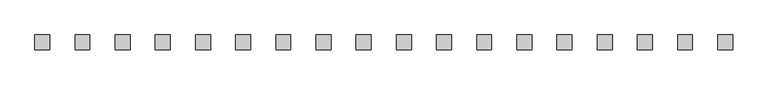
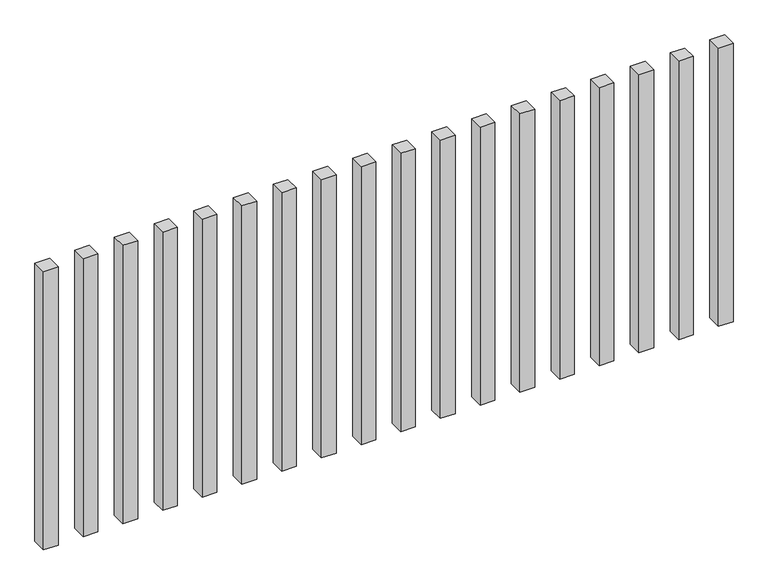
"""IFC4 building model written with IfcOpenShell, lengths in millimetres: railing geometry."""

from ifc_helpers import new_model, si_unit, origin, origin_with_axes, place, context, project, spatial, polyline, outline, extrude, source, transform, mapped, element, save


def railing_7f102a45(model_context):
    return source(origin(), model_context, "Body", "SweptSolid", [
        extrude(outline(polyline([(-15507.5700772, -85454.0267127), (-15507.5700772, -85404.0267127), (-15457.5700772, -85404.0267127), (-15457.5700772, -85454.0267127), (-15507.5700772, -85454.0267127)])), origin_with_axes(), (0.0, 0.0, 1.0), 1000.0),
        extrude(outline(polyline([(-15642.5700772, -85454.0267127), (-15642.5700772, -85404.0267127), (-15592.5700772, -85404.0267127), (-15592.5700772, -85454.0267127), (-15642.5700772, -85454.0267127)])), origin_with_axes(), (0.0, 0.0, 1.0), 1000.0),
        extrude(outline(polyline([(-15777.5700772, -85454.0267127), (-15777.5700772, -85404.0267127), (-15727.5700772, -85404.0267127), (-15727.5700772, -85454.0267127), (-15777.5700772, -85454.0267127)])), origin_with_axes(), (0.0, 0.0, 1.0), 1000.0),
        extrude(outline(polyline([(-15912.5700772, -85454.0267127), (-15912.5700772, -85404.0267127), (-15862.5700772, -85404.0267127), (-15862.5700772, -85454.0267127), (-15912.5700772, -85454.0267127)])), origin_with_axes(), (0.0, 0.0, 1.0), 1000.0),
        extrude(outline(polyline([(-16047.5700772, -85454.0267127), (-16047.5700772, -85404.0267127), (-15997.5700772, -85404.0267127), (-15997.5700772, -85454.0267127), (-16047.5700772, -85454.0267127)])), origin_with_axes(), (0.0, 0.0, 1.0), 1000.0),
        extrude(outline(polyline([(-16182.5700772, -85454.0267127), (-16182.5700772, -85404.0267127), (-16132.5700772, -85404.0267127), (-16132.5700772, -85454.0267127), (-16182.5700772, -85454.0267127)])), origin_with_axes(), (0.0, 0.0, 1.0), 1000.0),
        extrude(outline(polyline([(-16317.5700772, -85454.0267127), (-16317.5700772, -85404.0267127), (-16267.5700772, -85404.0267127), (-16267.5700772, -85454.0267127), (-16317.5700772, -85454.0267127)])), origin_with_axes(), (0.0, 0.0, 1.0), 1000.0),
        extrude(outline(polyline([(-16452.5700772, -85454.0267127), (-16452.5700772, -85404.0267127), (-16402.5700772, -85404.0267127), (-16402.5700772, -85454.0267127), (-16452.5700772, -85454.0267127)])), origin_with_axes(), (0.0, 0.0, 1.0), 1000.0),
        extrude(outline(polyline([(-16587.5700772, -85454.0267127), (-16587.5700772, -85404.0267127), (-16537.5700772, -85404.0267127), (-16537.5700772, -85454.0267127), (-16587.5700772, -85454.0267127)])), origin_with_axes(), (0.0, 0.0, 1.0), 1000.0),
        extrude(outline(polyline([(-16722.5700772, -85454.0267127), (-16722.5700772, -85404.0267127), (-16672.5700772, -85404.0267127), (-16672.5700772, -85454.0267127), (-16722.5700772, -85454.0267127)])), origin_with_axes(), (0.0, 0.0, 1.0), 1000.0),
        extrude(outline(polyline([(-16857.5700772, -85454.0267127), (-16857.5700772, -85404.0267127), (-16807.5700772, -85404.0267127), (-16807.5700772, -85454.0267127), (-16857.5700772, -85454.0267127)])), origin_with_axes(), (0.0, 0.0, 1.0), 1000.0),
        extrude(outline(polyline([(-16992.5700772, -85454.0267127), (-16992.5700772, -85404.0267127), (-16942.5700772, -85404.0267127), (-16942.5700772, -85454.0267127), (-16992.5700772, -85454.0267127)])), origin_with_axes(), (0.0, 0.0, 1.0), 1000.0),
        extrude(outline(polyline([(-17127.5700772, -85454.0267127), (-17127.5700772, -85404.0267127), (-17077.5700772, -85404.0267127), (-17077.5700772, -85454.0267127), (-17127.5700772, -85454.0267127)])), origin_with_axes(), (0.0, 0.0, 1.0), 1000.0),
        extrude(outline(polyline([(-17262.5700772, -85454.0267127), (-17262.5700772, -85404.0267127), (-17212.5700772, -85404.0267127), (-17212.5700772, -85454.0267127), (-17262.5700772, -85454.0267127)])), origin_with_axes(), (0.0, 0.0, 1.0), 1000.0),
        extrude(outline(polyline([(-17397.5700772, -85454.0267127), (-17397.5700772, -85404.0267127), (-17347.5700772, -85404.0267127), (-17347.5700772, -85454.0267127), (-17397.5700772, -85454.0267127)])), origin_with_axes(), (0.0, 0.0, 1.0), 1000.0),
        extrude(outline(polyline([(-17532.5700772, -85454.0267127), (-17532.5700772, -85404.0267127), (-17482.5700772, -85404.0267127), (-17482.5700772, -85454.0267127), (-17532.5700772, -85454.0267127)])), origin_with_axes(), (0.0, 0.0, 1.0), 1000.0),
        extrude(outline(polyline([(-17667.5700772, -85454.0267127), (-17667.5700772, -85404.0267127), (-17617.5700772, -85404.0267127), (-17617.5700772, -85454.0267127), (-17667.5700772, -85454.0267127)])), origin_with_axes(), (0.0, 0.0, 1.0), 1000.0),
        extrude(outline(polyline([(-17802.5700772, -85454.0267127), (-17802.5700772, -85404.0267127), (-17752.5700772, -85404.0267127), (-17752.5700772, -85454.0267127), (-17802.5700772, -85454.0267127)])), origin_with_axes(), (0.0, 0.0, 1.0), 1000.0),
    ])


if __name__ == "__main__":
    model = new_model("IFC4")
    model_context = context("Model", 3, world=origin())
    ifc_project = project(units=[si_unit("LENGTHUNIT", "METRE", prefix="MILLI")], contexts=[model_context])
    site = spatial("IfcSite", under=ifc_project)
    building = spatial("IfcBuilding", under=site)
    placement = place(None, origin())
    railing_shape = railing_7f102a45(model_context)
    element("IfcRailing", 1, at=placement, inside=building, context=model_context, shape_type="MappedRepresentation", body=[
        mapped(railing_shape, transform((0.0, 0.0, 0.0), x_axis=(1.0, 0.0, 0.0), y_axis=(0.0, 1.0, 0.0), z_axis=(0.0, 0.0, 1.0))),
    ])
    save(model, "model.ifc")
